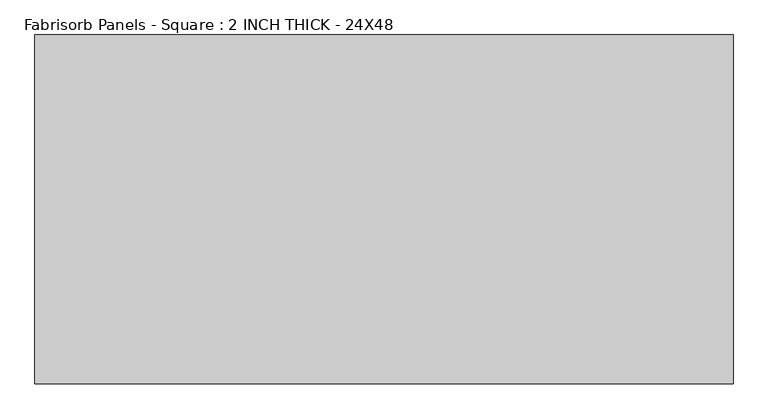
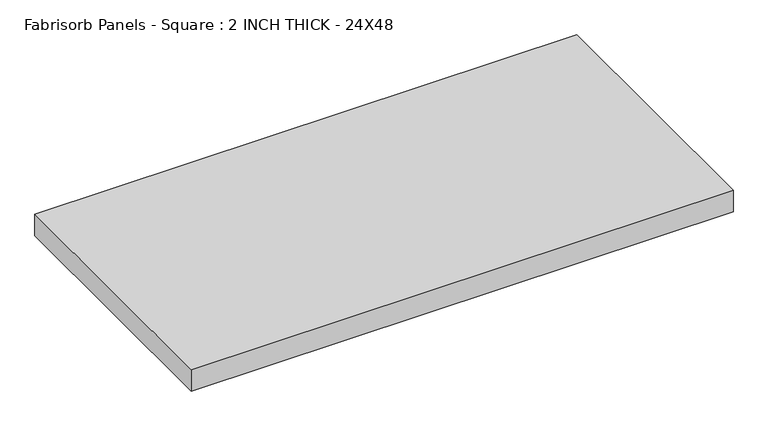
"""IFC4 building model written with IfcOpenShell, lengths in millimetres: proxy geometry, Fabrisorb Panels - Square : 2 INCH THICK - 24X48."""

import ifcopenshell
import ifcopenshell.guid

model = None  # the IFC model being written
_history = None  # IfcOwnerHistory: only IFC2X3 demands one
_inside = {}  # id of a spatial element -> (the spatial element, [elements in it])
_under = {}  # id of a project, library or spatial element -> (it, [spatial elements below it])
_declared = {}  # id of a project -> (the project, [libraries it declares])
_typed = {}  # id of a type object -> (the type object, [elements of that type])
_made_of = {}  # id of a material, layer set ... -> (it, [elements and type objects made of it])


def new_model(schema):
    """Start an empty IFC model of exactly this schema.

    Asked for "IFC4X3", IfcOpenShell would pick the latest addendum, in which some entities
    have other attributes; the version numbers below select the first issue.
    IFC2X3 requires an IfcOwnerHistory on every rooted entity: one is made here for all.
    """
    global model, _history
    if schema == "IFC4X3":
        model = ifcopenshell.file(schema_version=(4, 3, 0, 0))
    else:
        model = ifcopenshell.file(schema=schema)
    _inside.clear()
    _under.clear()
    _declared.clear()
    _typed.clear()
    _made_of.clear()
    _history = None
    if model.schema == "IFC2X3":
        org = make("IfcOrganization", Name="unknown")
        user = make(
            "IfcPersonAndOrganization",
            ThePerson=make("IfcPerson", FamilyName="unknown"),
            TheOrganization=org,
        )
        app = make(
            "IfcApplication",
            ApplicationDeveloper=org,
            Version="unknown",
            ApplicationFullName="unknown",
            ApplicationIdentifier="unknown",
        )
        _history = make(
            "IfcOwnerHistory",
            OwningUser=user,
            OwningApplication=app,
            ChangeAction="ADDED",
            CreationDate=0,
        )
    return model


def make(cls, **values):
    """One entity of the class cls with the attributes given. An attribute that is None is left unset."""
    return model.create_entity(
        cls, **{name: value for name, value in values.items() if value is not None}
    )


def rooted(cls, **values):
    """An entity with a GlobalId (a new one), such as an element, a storey or a relation."""
    return make(cls, GlobalId=ifcopenshell.guid.new(), OwnerHistory=_history, **values)


def si_unit(unit_type, name, prefix=None):
    """IfcSIUnit, for example si_unit("LENGTHUNIT", "METRE", prefix="MILLI")."""
    return make("IfcSIUnit", UnitType=unit_type, Prefix=prefix, Name=name)


def assignment(units):
    """IfcUnitAssignment: the units of a project."""
    return None if units is None else make("IfcUnitAssignment", Units=units)


def point(xyz):
    """IfcCartesianPoint."""
    return None if xyz is None else make("IfcCartesianPoint", Coordinates=xyz)


def direction(xyz):
    """IfcDirection."""
    return None if xyz is None else make("IfcDirection", DirectionRatios=xyz)


def frame(location, z_axis=None, x_axis=None):
    """IfcAxis2Placement3D, a coordinate frame: its origin and axes. An axis left out is left unset."""
    return make(
        "IfcAxis2Placement3D",
        Location=point(location),
        Axis=direction(z_axis),
        RefDirection=direction(x_axis),
    )


def origin():
    """The frame at (0, 0, 0) with its axes left unset."""
    return frame((0.0, 0.0, 0.0))


def origin_with_axes():
    """The frame at (0, 0, 0) with the z axis (0, 0, 1) and the x axis (1, 0, 0) written out."""
    return frame((0.0, 0.0, 0.0), z_axis=(0.0, 0.0, 1.0), x_axis=(1.0, 0.0, 0.0))


def place(relative_to, where):
    """IfcLocalPlacement: puts the frame where relative to a parent placement (None: the world)."""
    return make(
        "IfcLocalPlacement", PlacementRelTo=relative_to, RelativePlacement=where
    )


def context(
    kind, dimensions, precision=None, world=None, true_north=None, identifier=None
):
    """IfcGeometricRepresentationContext, for example the 3D "Model" context."""
    return make(
        "IfcGeometricRepresentationContext",
        ContextIdentifier=identifier,
        ContextType=kind,
        CoordinateSpaceDimension=dimensions,
        Precision=precision,
        WorldCoordinateSystem=world,
        TrueNorth=true_north,
    )


def project(units=None, contexts=None):
    """IfcProject with its units and contexts."""
    return rooted(
        "IfcProject",
        Name="project",
        RepresentationContexts=contexts,
        UnitsInContext=assignment(units),
    )


def spatial(cls, under=None, at=None, **own):
    """A site, building, storey or space (cls), placed at a placement, below another one or the project."""
    s = rooted(cls, ObjectPlacement=at, **own)
    if under is not None:
        _under.setdefault(under.id(), (under, []))[1].append(s)
    return s


def polyline(points):
    """IfcPolyline through the points."""
    return make("IfcPolyline", Points=[point(p) for p in points])


def outline(outer, holes=None, kind="AREA"):
    """IfcArbitraryClosedProfileDef: a profile drawn as a closed curve; with holes, ...WithVoids."""
    if holes is None:
        return make("IfcArbitraryClosedProfileDef", ProfileType=kind, OuterCurve=outer)
    return make(
        "IfcArbitraryProfileDefWithVoids",
        ProfileType=kind,
        OuterCurve=outer,
        InnerCurves=holes,
    )


def extrude(swept, where, along, depth):
    """IfcExtrudedAreaSolid: the profile swept, set in the frame where, extruded along a direction by depth."""
    return make(
        "IfcExtrudedAreaSolid",
        SweptArea=swept,
        Position=where,
        ExtrudedDirection=direction(along),
        Depth=depth,
    )


def shape(context_of_items, identifier, shape_type, items):
    """IfcShapeRepresentation: the items that make up one representation, for example the "Body"."""
    return make(
        "IfcShapeRepresentation",
        ContextOfItems=context_of_items,
        RepresentationIdentifier=identifier,
        RepresentationType=shape_type,
        Items=items,
    )


def source(mapping_origin, context_of_items, identifier, shape_type, items):
    """IfcRepresentationMap: a shape defined once, which mapped items show again and again."""
    return make(
        "IfcRepresentationMap",
        MappingOrigin=mapping_origin,
        MappedRepresentation=shape(context_of_items, identifier, shape_type, items),
    )


def transform(
    local_origin,
    x_axis=None,
    y_axis=None,
    z_axis=None,
    scale=None,
    scale2=None,
    scale3=None,
    uniform=True,
):
    """IfcCartesianTransformationOperator3D, or its non-uniform kind. x_axis, y_axis, z_axis: its Axis1, 2, 3."""
    if uniform:
        return make(
            "IfcCartesianTransformationOperator3D",
            Axis1=direction(x_axis),
            Axis2=direction(y_axis),
            LocalOrigin=point(local_origin),
            Scale=scale,
            Axis3=direction(z_axis),
        )
    return make(
        "IfcCartesianTransformationOperator3DnonUniform",
        Axis1=direction(x_axis),
        Axis2=direction(y_axis),
        LocalOrigin=point(local_origin),
        Scale=scale,
        Axis3=direction(z_axis),
        Scale2=scale2,
        Scale3=scale3,
    )


def mapped(mapping_source, mapping_target):
    """IfcMappedItem: shows the shape of a source again, moved by a transform."""
    return make(
        "IfcMappedItem", MappingSource=mapping_source, MappingTarget=mapping_target
    )


def made_of(thing, what):
    """Note that an element or type object is made of a material, layer set ...; save() writes the relation."""
    if what is not None:
        _made_of.setdefault(what.id(), (what, []))[1].append(thing)
    return thing


def element(
    cls,
    number,
    at=None,
    inside=None,
    cuts=None,
    type_object=None,
    material=None,
    context=None,
    identifier="Body",
    shape_type=None,
    held_by="IfcProductDefinitionShape",
    body=None,
    shapes=None,
    **own,
):
    """One element of the class cls, such as IfcWall. Its Tag is "e" and its number.

    at: its placement. inside: the storey or other place that contains it. cuts: it is an
    opening in that element (IfcRelVoidsElement). A single representation is given by context,
    identifier, shape_type and body (its items); several are given by shapes. held_by: the class
    of the entity that holds the representations. save() writes the other relations.
    """
    e = rooted(cls, Tag="e%d" % number, ObjectPlacement=at, **own)
    if body is not None:
        shapes = [shape(context, identifier, shape_type, body)]
    if shapes is not None:
        e.Representation = make(held_by, Representations=shapes)
    if inside is not None:
        _inside.setdefault(inside.id(), (inside, []))[1].append(e)
    if cuts is not None:
        rooted(
            "IfcRelVoidsElement", RelatingBuildingElement=cuts, RelatedOpeningElement=e
        )
    if type_object is not None:
        _typed.setdefault(type_object.id(), (type_object, []))[1].append(e)
    return made_of(e, material)


def aggregate(whole, parts):
    """IfcRelAggregates: a whole, such as a stair, and the parts it consists of."""
    return rooted("IfcRelAggregates", RelatingObject=whole, RelatedObjects=parts)


def save(model, path):
    """Write the relations noted so far, then the file.

    IfcRelAggregates (storeys below a building ...), IfcRelContainedInSpatialStructure (elements
    in a storey), IfcRelDefinesByType, IfcRelAssociatesMaterial and IfcRelDeclares: one each for
    every whole, place, type object, material and project.
    """
    for whole, parts in _under.values():
        aggregate(whole, parts)
    for where, things in _inside.values():
        rooted(
            "IfcRelContainedInSpatialStructure",
            RelatedElements=things,
            RelatingStructure=where,
        )
    for kind, things in _typed.values():
        rooted("IfcRelDefinesByType", RelatedObjects=things, RelatingType=kind)
    for what, things in _made_of.values():
        rooted("IfcRelAssociatesMaterial", RelatedObjects=things, RelatingMaterial=what)
    for by, libraries in _declared.values():
        rooted("IfcRelDeclares", RelatingContext=by, RelatedDefinitions=libraries)
    model.write(path)


def fabrisorb_panels_square_2_inch_thick_24x48_c6a48200(model_context):
    return source(origin(), model_context, "Body", "SweptSolid", [
        extrude(outline(polyline([(-609.6, 304.8), (609.6, 304.8), (609.6, -304.8), (-609.6, -304.8), (-609.6, 304.8)])), origin_with_axes(), (0.0, 0.0, 1.0), 50.8),
    ])


if __name__ == "__main__":
    model = new_model("IFC4")
    model_context = context("Model", 3, world=origin())
    ifc_project = project(units=[si_unit("LENGTHUNIT", "METRE", prefix="MILLI")], contexts=[model_context])
    site = spatial("IfcSite", under=ifc_project)
    building = spatial("IfcBuilding", under=site)
    placement = place(None, origin())
    fabrisorb_panels_square_2_inch_thick_24x48_shape = fabrisorb_panels_square_2_inch_thick_24x48_c6a48200(model_context)
    element("IfcBuildingElementProxy", 1, Name="Fabrisorb Panels - Square : 2 INCH THICK - 24X48", ObjectType="Fabrisorb Panels - Square : 2 INCH THICK - 24X48", at=placement, inside=building, context=model_context, shape_type="MappedRepresentation", body=[
        mapped(fabrisorb_panels_square_2_inch_thick_24x48_shape, transform((0.0, 0.0, 0.0), x_axis=(1.0, 0.0, 0.0), y_axis=(0.0, 1.0, 0.0), z_axis=(0.0, 0.0, 1.0))),
    ])
    save(model, "model.ifc")
